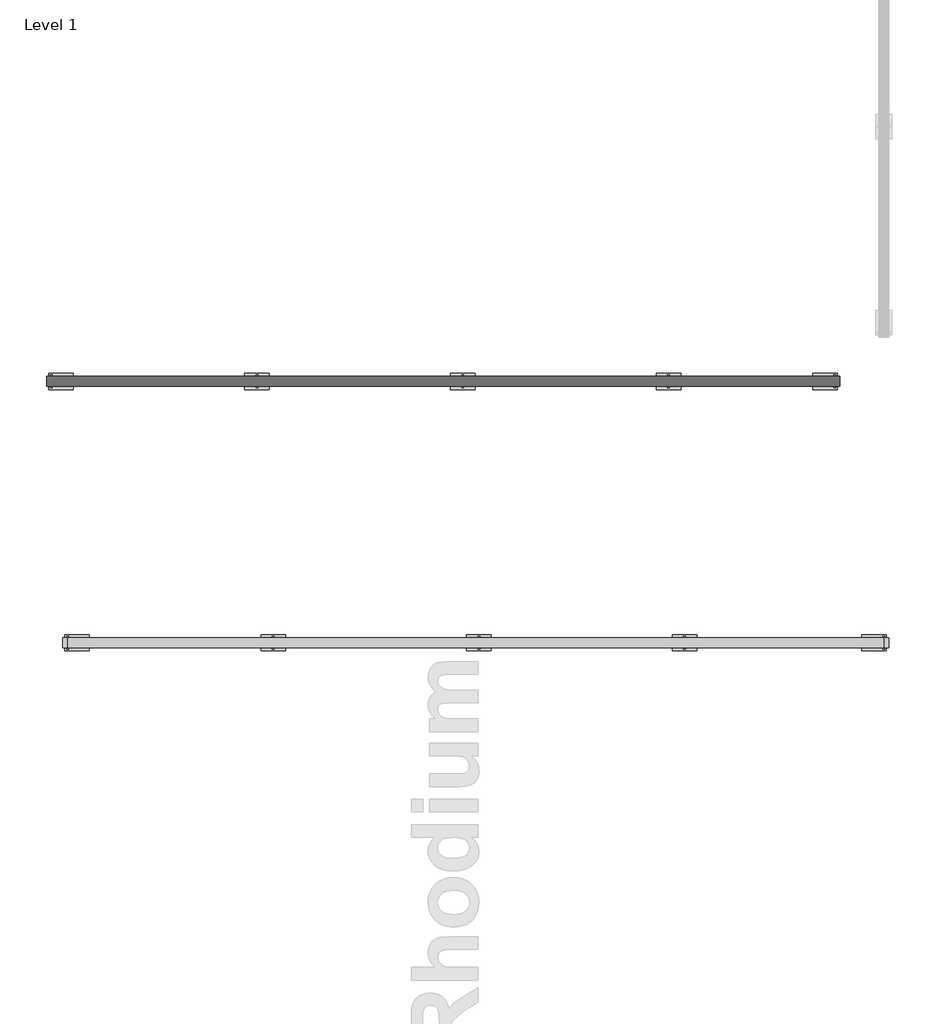
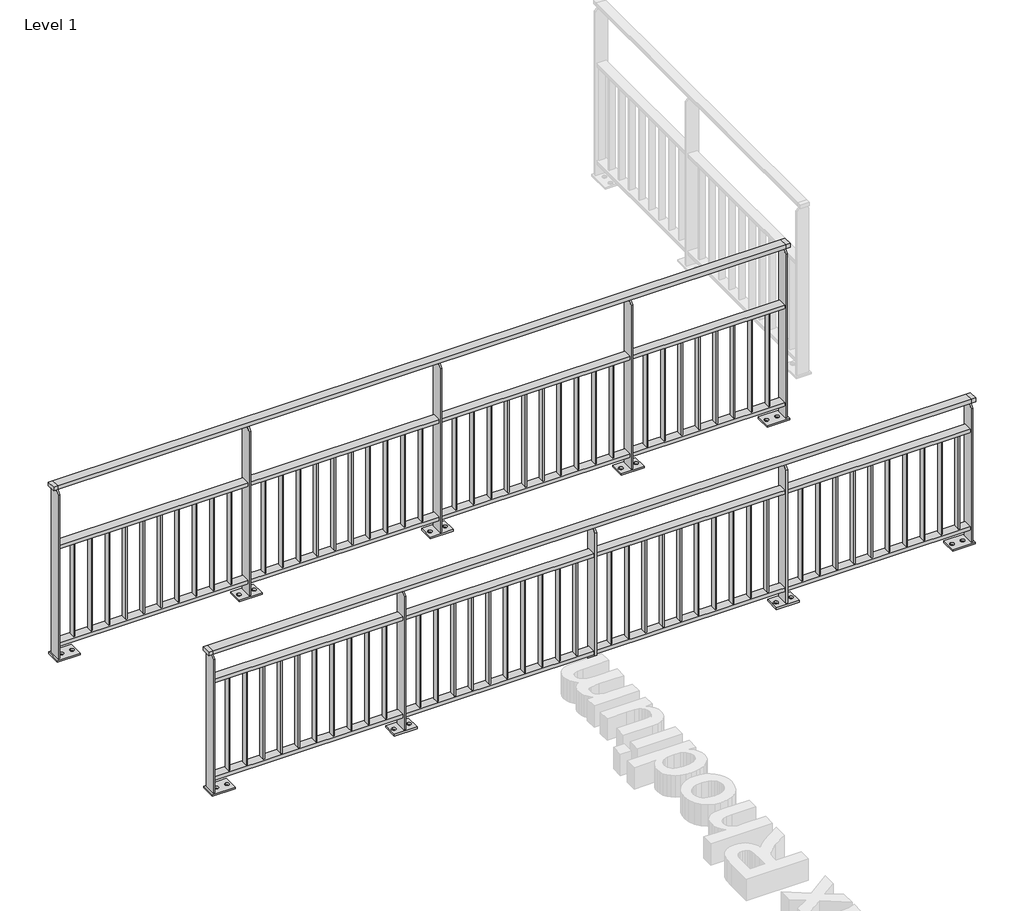
# One storey, part 9 of 20: 2 railings.
"""IFC4 building model written with IfcOpenShell, lengths in millimetres."""

from ifc_helpers import new_model, si_unit, point, frame, frame_2d, origin, origin_with_axes, place, context, project, spatial, polyline, circle_curve, trimmed, segment, composite_curve, outline, extrude, faceted_brep, element, save

model = new_model("IFC4")

# Units and contexts
model_context = context("Model", 3, world=origin())
ifc_project = project(units=[si_unit("LENGTHUNIT", "METRE", prefix="MILLI")], contexts=[model_context])

# Site, building, storey
site = spatial("IfcSite", under=ifc_project)
building = spatial("IfcBuilding", under=site)
storey = spatial("IfcBuildingStorey", under=building, Name="Level 1", Elevation=0.0)

# Railings
placement = place(None, origin())
element("IfcRailing", 1, at=placement, inside=storey, context=model_context, shape_type="SolidModel", body=[
    faceted_brep([(2259.1925079, 1459.3681146, 975.0), (2259.1925079, 1459.3681146, 1000.0), (7260.6479588, 1459.3681146, 1000.0), (7260.6479588, 1459.3681146, 975.0), (2259.1925079, 1399.3681146, 975.0), (7260.6479588, 1399.3681146, 975.0), (2259.1925079, 1399.3681146, 1000.0), (7260.6479588, 1399.3681146, 1000.0), (2229.1925079, 1459.3681146, 1000.0), (2229.1925079, 1459.3681146, 975.0), (2229.1925079, 1399.3681146, 975.0), (2229.1925079, 1399.3681146, 1000.0), (7290.6479588, 1459.3681146, 1000.0), (7290.6479588, 1399.3681146, 1000.0), (7290.6479588, 1399.3681146, 975.0), (7290.6479588, 1459.3681146, 975.0)], [[[0, 1, 2, 3]], [[4, 0, 3, 5]], [[6, 4, 5, 7]], [[1, 6, 7, 2]], [[8, 9, 10, 11]], [[9, 8, 1, 0]], [[10, 9, 0, 4]], [[11, 10, 4, 6]], [[8, 11, 6, 1]], [[12, 13, 14, 15]], [[3, 2, 12, 15]], [[5, 3, 15, 14]], [[7, 5, 14, 13]], [[2, 7, 13, 12]]]),
    extrude(outline(polyline([(2259.1925079, 1399.3681146), (2259.1925079, 1459.3681146), (7260.6479588, 1459.3681146), (7260.6479588, 1399.3681146), (2259.1925079, 1399.3681146)])), frame((0.0, 0.0, 770.0), z_axis=(0.0, 0.0, 1.0), x_axis=(1.0, 0.0, 0.0)), (0.0, 0.0, 1.0), 25.0),
    extrude(outline(polyline([(2259.1925079, 1399.3681146), (2259.1925079, 1459.3681146), (7260.6479588, 1459.3681146), (7260.6479588, 1399.3681146), (2259.1925079, 1399.3681146)])), frame((0.0, 0.0, 90.0), z_axis=(0.0, 0.0, 1.0), x_axis=(1.0, 0.0, 0.0)), (0.0, 0.0, 1.0), 25.0),
    extrude(outline(polyline([(7182.6925079, 1409.3681146), (7182.6925079, 1449.3681146), (7190.6925079, 1449.3681146), (7190.6925079, 1409.3681146), (7182.6925079, 1409.3681146)])), frame((0.0, 0.0, 115.0), z_axis=(0.0, 0.0, 1.0), x_axis=(1.0, 0.0, 0.0)), (0.0, 0.0, 1.0), 655.0),
    extrude(outline(polyline([(7067.6925079, 1409.3681146), (7067.6925079, 1449.3681146), (7075.6925079, 1449.3681146), (7075.6925079, 1409.3681146), (7067.6925079, 1409.3681146)])), frame((0.0, 0.0, 115.0), z_axis=(0.0, 0.0, 1.0), x_axis=(1.0, 0.0, 0.0)), (0.0, 0.0, 1.0), 655.0),
    extrude(outline(polyline([(6952.6925079, 1409.3681146), (6952.6925079, 1449.3681146), (6960.6925079, 1449.3681146), (6960.6925079, 1409.3681146), (6952.6925079, 1409.3681146)])), frame((0.0, 0.0, 115.0), z_axis=(0.0, 0.0, 1.0), x_axis=(1.0, 0.0, 0.0)), (0.0, 0.0, 1.0), 655.0),
    extrude(outline(polyline([(6837.6925079, 1409.3681146), (6837.6925079, 1449.3681146), (6845.6925079, 1449.3681146), (6845.6925079, 1409.3681146), (6837.6925079, 1409.3681146)])), frame((0.0, 0.0, 115.0), z_axis=(0.0, 0.0, 1.0), x_axis=(1.0, 0.0, 0.0)), (0.0, 0.0, 1.0), 655.0),
    extrude(outline(polyline([(6722.6925079, 1409.3681146), (6722.6925079, 1449.3681146), (6730.6925079, 1449.3681146), (6730.6925079, 1409.3681146), (6722.6925079, 1409.3681146)])), frame((0.0, 0.0, 115.0), z_axis=(0.0, 0.0, 1.0), x_axis=(1.0, 0.0, 0.0)), (0.0, 0.0, 1.0), 655.0),
    extrude(outline(polyline([(6607.6925079, 1409.3681146), (6607.6925079, 1449.3681146), (6615.6925079, 1449.3681146), (6615.6925079, 1409.3681146), (6607.6925079, 1409.3681146)])), frame((0.0, 0.0, 115.0), z_axis=(0.0, 0.0, 1.0), x_axis=(1.0, 0.0, 0.0)), (0.0, 0.0, 1.0), 655.0),
    extrude(outline(polyline([(6492.6925079, 1409.3681146), (6492.6925079, 1449.3681146), (6500.6925079, 1449.3681146), (6500.6925079, 1409.3681146), (6492.6925079, 1409.3681146)])), frame((0.0, 0.0, 115.0), z_axis=(0.0, 0.0, 1.0), x_axis=(1.0, 0.0, 0.0)), (0.0, 0.0, 1.0), 655.0),
    extrude(outline(polyline([(6377.6925079, 1409.3681146), (6377.6925079, 1449.3681146), (6385.6925079, 1449.3681146), (6385.6925079, 1409.3681146), (6377.6925079, 1409.3681146)])), frame((0.0, 0.0, 115.0), z_axis=(0.0, 0.0, 1.0), x_axis=(1.0, 0.0, 0.0)), (0.0, 0.0, 1.0), 655.0),
    extrude(outline(polyline([(6262.6925079, 1409.3681146), (6262.6925079, 1449.3681146), (6270.6925079, 1449.3681146), (6270.6925079, 1409.3681146), (6262.6925079, 1409.3681146)])), frame((0.0, 0.0, 115.0), z_axis=(0.0, 0.0, 1.0), x_axis=(1.0, 0.0, 0.0)), (0.0, 0.0, 1.0), 655.0),
    extrude(outline(polyline([(6147.6925079, 1409.3681146), (6147.6925079, 1449.3681146), (6155.6925079, 1449.3681146), (6155.6925079, 1409.3681146), (6147.6925079, 1409.3681146)])), frame((0.0, 0.0, 115.0), z_axis=(0.0, 0.0, 1.0), x_axis=(1.0, 0.0, 0.0)), (0.0, 0.0, 1.0), 655.0),
    extrude(outline(polyline([(1469.3681146, 12.0), (1389.3681146, 12.0), (1389.3681146, 942.5), (1421.8681146, 975.0), (1436.8681146, 975.0), (1469.3681146, 942.5), (1469.3681146, 12.0)])), frame((6033.1925079, 0.0, 0.0), z_axis=(1.0, 0.0, 0.0), x_axis=(0.0, 1.0, 0.0)), (0.0, 0.0, 1.0), 12.0),
    extrude(outline(polyline([(5964.1925079, 1479.3681146), (6114.1925079, 1479.3681146), (6114.1925079, 1379.3681146), (5964.1925079, 1379.3681146), (5964.1925079, 1479.3681146)]), holes=[composite_curve([segment(trimmed(circle_curve(frame_2d((5989.1925079, 1429.3681146)), 13.5), [point((5989.1925079, 1415.8681146))], [point((5989.1925079, 1442.8681146))], True, "CARTESIAN"), True, "CONTINUOUS"), segment(trimmed(circle_curve(frame_2d((5989.1925079, 1429.3681146)), 13.5), [point((5989.1925079, 1442.8681146))], [point((5989.1925079, 1415.8681146))], True, "CARTESIAN"), True, "CONTINUOUS")], self_intersect=False), composite_curve([segment(trimmed(circle_curve(frame_2d((6089.1925079, 1429.3681146)), 13.5), [point((6089.1925079, 1415.8681146))], [point((6089.1925079, 1442.8681146))], True, "CARTESIAN"), True, "CONTINUOUS"), segment(trimmed(circle_curve(frame_2d((6089.1925079, 1429.3681146)), 13.5), [point((6089.1925079, 1442.8681146))], [point((6089.1925079, 1415.8681146))], True, "CARTESIAN"), True, "CONTINUOUS")], self_intersect=False)]), origin_with_axes(), (0.0, 0.0, 1.0), 12.0),
    extrude(outline(polyline([(5922.6925079, 1409.3681146), (5922.6925079, 1449.3681146), (5930.6925079, 1449.3681146), (5930.6925079, 1409.3681146), (5922.6925079, 1409.3681146)])), frame((0.0, 0.0, 115.0), z_axis=(0.0, 0.0, 1.0), x_axis=(1.0, 0.0, 0.0)), (0.0, 0.0, 1.0), 655.0),
    extrude(outline(polyline([(5807.6925079, 1409.3681146), (5807.6925079, 1449.3681146), (5815.6925079, 1449.3681146), (5815.6925079, 1409.3681146), (5807.6925079, 1409.3681146)])), frame((0.0, 0.0, 115.0), z_axis=(0.0, 0.0, 1.0), x_axis=(1.0, 0.0, 0.0)), (0.0, 0.0, 1.0), 655.0),
    extrude(outline(polyline([(5692.6925079, 1409.3681146), (5692.6925079, 1449.3681146), (5700.6925079, 1449.3681146), (5700.6925079, 1409.3681146), (5692.6925079, 1409.3681146)])), frame((0.0, 0.0, 115.0), z_axis=(0.0, 0.0, 1.0), x_axis=(1.0, 0.0, 0.0)), (0.0, 0.0, 1.0), 655.0),
    extrude(outline(polyline([(5577.6925079, 1409.3681146), (5577.6925079, 1449.3681146), (5585.6925079, 1449.3681146), (5585.6925079, 1409.3681146), (5577.6925079, 1409.3681146)])), frame((0.0, 0.0, 115.0), z_axis=(0.0, 0.0, 1.0), x_axis=(1.0, 0.0, 0.0)), (0.0, 0.0, 1.0), 655.0),
    extrude(outline(polyline([(5462.6925079, 1409.3681146), (5462.6925079, 1449.3681146), (5470.6925079, 1449.3681146), (5470.6925079, 1409.3681146), (5462.6925079, 1409.3681146)])), frame((0.0, 0.0, 115.0), z_axis=(0.0, 0.0, 1.0), x_axis=(1.0, 0.0, 0.0)), (0.0, 0.0, 1.0), 655.0),
    extrude(outline(polyline([(5347.6925079, 1409.3681146), (5347.6925079, 1449.3681146), (5355.6925079, 1449.3681146), (5355.6925079, 1409.3681146), (5347.6925079, 1409.3681146)])), frame((0.0, 0.0, 115.0), z_axis=(0.0, 0.0, 1.0), x_axis=(1.0, 0.0, 0.0)), (0.0, 0.0, 1.0), 655.0),
    extrude(outline(polyline([(5232.6925079, 1409.3681146), (5232.6925079, 1449.3681146), (5240.6925079, 1449.3681146), (5240.6925079, 1409.3681146), (5232.6925079, 1409.3681146)])), frame((0.0, 0.0, 115.0), z_axis=(0.0, 0.0, 1.0), x_axis=(1.0, 0.0, 0.0)), (0.0, 0.0, 1.0), 655.0),
    extrude(outline(polyline([(5117.6925079, 1409.3681146), (5117.6925079, 1449.3681146), (5125.6925079, 1449.3681146), (5125.6925079, 1409.3681146), (5117.6925079, 1409.3681146)])), frame((0.0, 0.0, 115.0), z_axis=(0.0, 0.0, 1.0), x_axis=(1.0, 0.0, 0.0)), (0.0, 0.0, 1.0), 655.0),
    extrude(outline(polyline([(5002.6925079, 1409.3681146), (5002.6925079, 1449.3681146), (5010.6925079, 1449.3681146), (5010.6925079, 1409.3681146), (5002.6925079, 1409.3681146)])), frame((0.0, 0.0, 115.0), z_axis=(0.0, 0.0, 1.0), x_axis=(1.0, 0.0, 0.0)), (0.0, 0.0, 1.0), 655.0),
    extrude(outline(polyline([(4887.6925079, 1409.3681146), (4887.6925079, 1449.3681146), (4895.6925079, 1449.3681146), (4895.6925079, 1409.3681146), (4887.6925079, 1409.3681146)])), frame((0.0, 0.0, 115.0), z_axis=(0.0, 0.0, 1.0), x_axis=(1.0, 0.0, 0.0)), (0.0, 0.0, 1.0), 655.0),
    extrude(outline(polyline([(1469.3681146, 12.0), (1389.3681146, 12.0), (1389.3681146, 942.5), (1421.8681146, 975.0), (1436.8681146, 975.0), (1469.3681146, 942.5), (1469.3681146, 12.0)])), frame((4773.1925079, 0.0, 0.0), z_axis=(1.0, 0.0, 0.0), x_axis=(0.0, 1.0, 0.0)), (0.0, 0.0, 1.0), 12.0),
    extrude(outline(polyline([(4704.1925079, 1479.3681146), (4854.1925079, 1479.3681146), (4854.1925079, 1379.3681146), (4704.1925079, 1379.3681146), (4704.1925079, 1479.3681146)]), holes=[composite_curve([segment(trimmed(circle_curve(frame_2d((4729.1925079, 1429.3681146)), 13.5), [point((4729.1925079, 1415.8681146))], [point((4729.1925079, 1442.8681146))], True, "CARTESIAN"), True, "CONTINUOUS"), segment(trimmed(circle_curve(frame_2d((4729.1925079, 1429.3681146)), 13.5), [point((4729.1925079, 1442.8681146))], [point((4729.1925079, 1415.8681146))], True, "CARTESIAN"), True, "CONTINUOUS")], self_intersect=False), composite_curve([segment(trimmed(circle_curve(frame_2d((4829.1925079, 1429.3681146)), 13.5), [point((4829.1925079, 1415.8681146))], [point((4829.1925079, 1442.8681146))], True, "CARTESIAN"), True, "CONTINUOUS"), segment(trimmed(circle_curve(frame_2d((4829.1925079, 1429.3681146)), 13.5), [point((4829.1925079, 1442.8681146))], [point((4829.1925079, 1415.8681146))], True, "CARTESIAN"), True, "CONTINUOUS")], self_intersect=False)]), origin_with_axes(), (0.0, 0.0, 1.0), 12.0),
    extrude(outline(polyline([(4662.6925079, 1409.3681146), (4662.6925079, 1449.3681146), (4670.6925079, 1449.3681146), (4670.6925079, 1409.3681146), (4662.6925079, 1409.3681146)])), frame((0.0, 0.0, 115.0), z_axis=(0.0, 0.0, 1.0), x_axis=(1.0, 0.0, 0.0)), (0.0, 0.0, 1.0), 655.0),
    extrude(outline(polyline([(4547.6925079, 1409.3681146), (4547.6925079, 1449.3681146), (4555.6925079, 1449.3681146), (4555.6925079, 1409.3681146), (4547.6925079, 1409.3681146)])), frame((0.0, 0.0, 115.0), z_axis=(0.0, 0.0, 1.0), x_axis=(1.0, 0.0, 0.0)), (0.0, 0.0, 1.0), 655.0),
    extrude(outline(polyline([(4432.6925079, 1409.3681146), (4432.6925079, 1449.3681146), (4440.6925079, 1449.3681146), (4440.6925079, 1409.3681146), (4432.6925079, 1409.3681146)])), frame((0.0, 0.0, 115.0), z_axis=(0.0, 0.0, 1.0), x_axis=(1.0, 0.0, 0.0)), (0.0, 0.0, 1.0), 655.0),
    extrude(outline(polyline([(4317.6925079, 1409.3681146), (4317.6925079, 1449.3681146), (4325.6925079, 1449.3681146), (4325.6925079, 1409.3681146), (4317.6925079, 1409.3681146)])), frame((0.0, 0.0, 115.0), z_axis=(0.0, 0.0, 1.0), x_axis=(1.0, 0.0, 0.0)), (0.0, 0.0, 1.0), 655.0),
    extrude(outline(polyline([(4202.6925079, 1409.3681146), (4202.6925079, 1449.3681146), (4210.6925079, 1449.3681146), (4210.6925079, 1409.3681146), (4202.6925079, 1409.3681146)])), frame((0.0, 0.0, 115.0), z_axis=(0.0, 0.0, 1.0), x_axis=(1.0, 0.0, 0.0)), (0.0, 0.0, 1.0), 655.0),
    extrude(outline(polyline([(4087.6925079, 1409.3681146), (4087.6925079, 1449.3681146), (4095.6925079, 1449.3681146), (4095.6925079, 1409.3681146), (4087.6925079, 1409.3681146)])), frame((0.0, 0.0, 115.0), z_axis=(0.0, 0.0, 1.0), x_axis=(1.0, 0.0, 0.0)), (0.0, 0.0, 1.0), 655.0),
    extrude(outline(polyline([(3972.6925079, 1409.3681146), (3972.6925079, 1449.3681146), (3980.6925079, 1449.3681146), (3980.6925079, 1409.3681146), (3972.6925079, 1409.3681146)])), frame((0.0, 0.0, 115.0), z_axis=(0.0, 0.0, 1.0), x_axis=(1.0, 0.0, 0.0)), (0.0, 0.0, 1.0), 655.0),
    extrude(outline(polyline([(3857.6925079, 1409.3681146), (3857.6925079, 1449.3681146), (3865.6925079, 1449.3681146), (3865.6925079, 1409.3681146), (3857.6925079, 1409.3681146)])), frame((0.0, 0.0, 115.0), z_axis=(0.0, 0.0, 1.0), x_axis=(1.0, 0.0, 0.0)), (0.0, 0.0, 1.0), 655.0),
    extrude(outline(polyline([(3742.6925079, 1409.3681146), (3742.6925079, 1449.3681146), (3750.6925079, 1449.3681146), (3750.6925079, 1409.3681146), (3742.6925079, 1409.3681146)])), frame((0.0, 0.0, 115.0), z_axis=(0.0, 0.0, 1.0), x_axis=(1.0, 0.0, 0.0)), (0.0, 0.0, 1.0), 655.0),
    extrude(outline(polyline([(3627.6925079, 1409.3681146), (3627.6925079, 1449.3681146), (3635.6925079, 1449.3681146), (3635.6925079, 1409.3681146), (3627.6925079, 1409.3681146)])), frame((0.0, 0.0, 115.0), z_axis=(0.0, 0.0, 1.0), x_axis=(1.0, 0.0, 0.0)), (0.0, 0.0, 1.0), 655.0),
    extrude(outline(polyline([(1469.3681146, 12.0), (1389.3681146, 12.0), (1389.3681146, 942.5), (1421.8681146, 975.0), (1436.8681146, 975.0), (1469.3681146, 942.5), (1469.3681146, 12.0)])), frame((3513.1925079, 0.0, 0.0), z_axis=(1.0, 0.0, 0.0), x_axis=(0.0, 1.0, 0.0)), (0.0, 0.0, 1.0), 12.0),
    extrude(outline(polyline([(3444.1925079, 1479.3681146), (3594.1925079, 1479.3681146), (3594.1925079, 1379.3681146), (3444.1925079, 1379.3681146), (3444.1925079, 1479.3681146)]), holes=[composite_curve([segment(trimmed(circle_curve(frame_2d((3469.1925079, 1429.3681146)), 13.5), [point((3469.1925079, 1415.8681146))], [point((3469.1925079, 1442.8681146))], True, "CARTESIAN"), True, "CONTINUOUS"), segment(trimmed(circle_curve(frame_2d((3469.1925079, 1429.3681146)), 13.5), [point((3469.1925079, 1442.8681146))], [point((3469.1925079, 1415.8681146))], True, "CARTESIAN"), True, "CONTINUOUS")], self_intersect=False), composite_curve([segment(trimmed(circle_curve(frame_2d((3569.1925079, 1429.3681146)), 13.5), [point((3569.1925079, 1415.8681146))], [point((3569.1925079, 1442.8681146))], True, "CARTESIAN"), True, "CONTINUOUS"), segment(trimmed(circle_curve(frame_2d((3569.1925079, 1429.3681146)), 13.5), [point((3569.1925079, 1442.8681146))], [point((3569.1925079, 1415.8681146))], True, "CARTESIAN"), True, "CONTINUOUS")], self_intersect=False)]), origin_with_axes(), (0.0, 0.0, 1.0), 12.0),
    extrude(outline(polyline([(3402.6925079, 1409.3681146), (3402.6925079, 1449.3681146), (3410.6925079, 1449.3681146), (3410.6925079, 1409.3681146), (3402.6925079, 1409.3681146)])), frame((0.0, 0.0, 115.0), z_axis=(0.0, 0.0, 1.0), x_axis=(1.0, 0.0, 0.0)), (0.0, 0.0, 1.0), 655.0),
    extrude(outline(polyline([(3287.6925079, 1409.3681146), (3287.6925079, 1449.3681146), (3295.6925079, 1449.3681146), (3295.6925079, 1409.3681146), (3287.6925079, 1409.3681146)])), frame((0.0, 0.0, 115.0), z_axis=(0.0, 0.0, 1.0), x_axis=(1.0, 0.0, 0.0)), (0.0, 0.0, 1.0), 655.0),
    extrude(outline(polyline([(3172.6925079, 1409.3681146), (3172.6925079, 1449.3681146), (3180.6925079, 1449.3681146), (3180.6925079, 1409.3681146), (3172.6925079, 1409.3681146)])), frame((0.0, 0.0, 115.0), z_axis=(0.0, 0.0, 1.0), x_axis=(1.0, 0.0, 0.0)), (0.0, 0.0, 1.0), 655.0),
    extrude(outline(polyline([(3057.6925079, 1409.3681146), (3057.6925079, 1449.3681146), (3065.6925079, 1449.3681146), (3065.6925079, 1409.3681146), (3057.6925079, 1409.3681146)])), frame((0.0, 0.0, 115.0), z_axis=(0.0, 0.0, 1.0), x_axis=(1.0, 0.0, 0.0)), (0.0, 0.0, 1.0), 655.0),
    extrude(outline(polyline([(2942.6925079, 1409.3681146), (2942.6925079, 1449.3681146), (2950.6925079, 1449.3681146), (2950.6925079, 1409.3681146), (2942.6925079, 1409.3681146)])), frame((0.0, 0.0, 115.0), z_axis=(0.0, 0.0, 1.0), x_axis=(1.0, 0.0, 0.0)), (0.0, 0.0, 1.0), 655.0),
    extrude(outline(polyline([(2827.6925079, 1409.3681146), (2827.6925079, 1449.3681146), (2835.6925079, 1449.3681146), (2835.6925079, 1409.3681146), (2827.6925079, 1409.3681146)])), frame((0.0, 0.0, 115.0), z_axis=(0.0, 0.0, 1.0), x_axis=(1.0, 0.0, 0.0)), (0.0, 0.0, 1.0), 655.0),
    extrude(outline(polyline([(2712.6925079, 1409.3681146), (2712.6925079, 1449.3681146), (2720.6925079, 1449.3681146), (2720.6925079, 1409.3681146), (2712.6925079, 1409.3681146)])), frame((0.0, 0.0, 115.0), z_axis=(0.0, 0.0, 1.0), x_axis=(1.0, 0.0, 0.0)), (0.0, 0.0, 1.0), 655.0),
    extrude(outline(polyline([(2597.6925079, 1409.3681146), (2597.6925079, 1449.3681146), (2605.6925079, 1449.3681146), (2605.6925079, 1409.3681146), (2597.6925079, 1409.3681146)])), frame((0.0, 0.0, 115.0), z_axis=(0.0, 0.0, 1.0), x_axis=(1.0, 0.0, 0.0)), (0.0, 0.0, 1.0), 655.0),
    extrude(outline(polyline([(2482.6925079, 1409.3681146), (2482.6925079, 1449.3681146), (2490.6925079, 1449.3681146), (2490.6925079, 1409.3681146), (2482.6925079, 1409.3681146)])), frame((0.0, 0.0, 115.0), z_axis=(0.0, 0.0, 1.0), x_axis=(1.0, 0.0, 0.0)), (0.0, 0.0, 1.0), 655.0),
    extrude(outline(polyline([(2367.6925079, 1409.3681146), (2367.6925079, 1449.3681146), (2375.6925079, 1449.3681146), (2375.6925079, 1409.3681146), (2367.6925079, 1409.3681146)])), frame((0.0, 0.0, 115.0), z_axis=(0.0, 0.0, 1.0), x_axis=(1.0, 0.0, 0.0)), (0.0, 0.0, 1.0), 655.0),
    extrude(outline(polyline([(1469.3681146, 12.0), (1389.3681146, 12.0), (1389.3681146, 942.5), (1421.8681146, 975.0), (1436.8681146, 975.0), (1469.3681146, 942.5), (1469.3681146, 12.0)])), frame((7254.6479588, 0.0, 0.0), z_axis=(1.0, 0.0, 0.0), x_axis=(0.0, 1.0, 0.0)), (0.0, 0.0, 1.0), 12.0),
    extrude(outline(polyline([(7126.6479588, 1479.3681146), (7276.6479588, 1479.3681146), (7276.6479588, 1379.3681146), (7126.6479588, 1379.3681146), (7126.6479588, 1479.3681146)]), holes=[composite_curve([segment(trimmed(circle_curve(frame_2d((7151.6479588, 1429.3681146)), 13.5), [point((7151.6479588, 1415.8681146))], [point((7151.6479588, 1442.8681146))], True, "CARTESIAN"), True, "CONTINUOUS"), segment(trimmed(circle_curve(frame_2d((7151.6479588, 1429.3681146)), 13.5), [point((7151.6479588, 1442.8681146))], [point((7151.6479588, 1415.8681146))], True, "CARTESIAN"), True, "CONTINUOUS")], self_intersect=False), composite_curve([segment(trimmed(circle_curve(frame_2d((7221.6479588, 1429.3681146)), 13.5), [point((7221.6479588, 1415.8681146))], [point((7221.6479588, 1442.8681146))], True, "CARTESIAN"), True, "CONTINUOUS"), segment(trimmed(circle_curve(frame_2d((7221.6479588, 1429.3681146)), 13.5), [point((7221.6479588, 1442.8681146))], [point((7221.6479588, 1415.8681146))], True, "CARTESIAN"), True, "CONTINUOUS")], self_intersect=False)]), origin_with_axes(), (0.0, 0.0, 1.0), 12.0),
    extrude(outline(polyline([(1469.3681146, 12.0), (1389.3681146, 12.0), (1389.3681146, 942.5), (1421.8681146, 975.0), (1436.8681146, 975.0), (1469.3681146, 942.5), (1469.3681146, 12.0)])), frame((2253.1925079, 0.0, 0.0), z_axis=(1.0, 0.0, 0.0), x_axis=(0.0, 1.0, 0.0)), (0.0, 0.0, 1.0), 12.0),
    extrude(outline(polyline([(2243.1925079, 1479.3681146), (2393.1925079, 1479.3681146), (2393.1925079, 1379.3681146), (2243.1925079, 1379.3681146), (2243.1925079, 1479.3681146)]), holes=[composite_curve([segment(trimmed(circle_curve(frame_2d((2298.1925079, 1429.3681146)), 13.5), [point((2298.1925079, 1415.8681146))], [point((2298.1925079, 1442.8681146))], True, "CARTESIAN"), True, "CONTINUOUS"), segment(trimmed(circle_curve(frame_2d((2298.1925079, 1429.3681146)), 13.5), [point((2298.1925079, 1442.8681146))], [point((2298.1925079, 1415.8681146))], True, "CARTESIAN"), True, "CONTINUOUS")], self_intersect=False), composite_curve([segment(trimmed(circle_curve(frame_2d((2368.1925079, 1429.3681146)), 13.5), [point((2368.1925079, 1415.8681146))], [point((2368.1925079, 1442.8681146))], True, "CARTESIAN"), True, "CONTINUOUS"), segment(trimmed(circle_curve(frame_2d((2368.1925079, 1429.3681146)), 13.5), [point((2368.1925079, 1442.8681146))], [point((2368.1925079, 1415.8681146))], True, "CARTESIAN"), True, "CONTINUOUS")], self_intersect=False)]), origin_with_axes(), (0.0, 0.0, 1.0), 12.0),
])
element("IfcRailing", 2, at=placement, inside=storey, context=model_context, shape_type="SolidModel", body=[
    faceted_brep([(2160.6479588, 3059.3681146, 1187.5), (2160.6479588, 3059.3681146, 1212.5), (6960.6479588, 3059.3681146, 1212.5), (6960.6479588, 3059.3681146, 1187.5), (2160.6479588, 2999.3681146, 1187.5), (6960.6479588, 2999.3681146, 1187.5), (2160.6479588, 2999.3681146, 1212.5), (6960.6479588, 2999.3681146, 1212.5), (2130.6479588, 3059.3681146, 1212.5), (2130.6479588, 3059.3681146, 1187.5), (2130.6479588, 2999.3681146, 1187.5), (2130.6479588, 2999.3681146, 1212.5), (6990.6479588, 3059.3681146, 1212.5), (6990.6479588, 2999.3681146, 1212.5), (6990.6479588, 2999.3681146, 1187.5), (6990.6479588, 3059.3681146, 1187.5)], [[[0, 1, 2, 3]], [[4, 0, 3, 5]], [[6, 4, 5, 7]], [[1, 6, 7, 2]], [[8, 9, 10, 11]], [[9, 8, 1, 0]], [[10, 9, 0, 4]], [[11, 10, 4, 6]], [[8, 11, 6, 1]], [[12, 13, 14, 15]], [[3, 2, 12, 15]], [[5, 3, 15, 14]], [[7, 5, 14, 13]], [[2, 7, 13, 12]]]),
    extrude(outline(polyline([(2160.6479588, 2999.3681146), (2160.6479588, 3059.3681146), (6960.6479588, 3059.3681146), (6960.6479588, 2999.3681146), (2160.6479588, 2999.3681146)])), frame((0.0, 0.0, 770.0), z_axis=(0.0, 0.0, 1.0), x_axis=(1.0, 0.0, 0.0)), (0.0, 0.0, 1.0), 25.0),
    extrude(outline(polyline([(2160.6479588, 2999.3681146), (2160.6479588, 3059.3681146), (6960.6479588, 3059.3681146), (6960.6479588, 2999.3681146), (2160.6479588, 2999.3681146)])), frame((0.0, 0.0, 90.0), z_axis=(0.0, 0.0, 1.0), x_axis=(1.0, 0.0, 0.0)), (0.0, 0.0, 1.0), 25.0),
    extrude(outline(polyline([(6854.1479588, 3009.3681146), (6854.1479588, 3049.3681146), (6862.1479588, 3049.3681146), (6862.1479588, 3009.3681146), (6854.1479588, 3009.3681146)])), frame((0.0, 0.0, 115.0), z_axis=(0.0, 0.0, 1.0), x_axis=(1.0, 0.0, 0.0)), (0.0, 0.0, 1.0), 655.0),
    extrude(outline(polyline([(6739.1479588, 3009.3681146), (6739.1479588, 3049.3681146), (6747.1479588, 3049.3681146), (6747.1479588, 3009.3681146), (6739.1479588, 3009.3681146)])), frame((0.0, 0.0, 115.0), z_axis=(0.0, 0.0, 1.0), x_axis=(1.0, 0.0, 0.0)), (0.0, 0.0, 1.0), 655.0),
    extrude(outline(polyline([(6624.1479588, 3009.3681146), (6624.1479588, 3049.3681146), (6632.1479588, 3049.3681146), (6632.1479588, 3009.3681146), (6624.1479588, 3009.3681146)])), frame((0.0, 0.0, 115.0), z_axis=(0.0, 0.0, 1.0), x_axis=(1.0, 0.0, 0.0)), (0.0, 0.0, 1.0), 655.0),
    extrude(outline(polyline([(6509.1479588, 3009.3681146), (6509.1479588, 3049.3681146), (6517.1479588, 3049.3681146), (6517.1479588, 3009.3681146), (6509.1479588, 3009.3681146)])), frame((0.0, 0.0, 115.0), z_axis=(0.0, 0.0, 1.0), x_axis=(1.0, 0.0, 0.0)), (0.0, 0.0, 1.0), 655.0),
    extrude(outline(polyline([(6394.1479588, 3009.3681146), (6394.1479588, 3049.3681146), (6402.1479588, 3049.3681146), (6402.1479588, 3009.3681146), (6394.1479588, 3009.3681146)])), frame((0.0, 0.0, 115.0), z_axis=(0.0, 0.0, 1.0), x_axis=(1.0, 0.0, 0.0)), (0.0, 0.0, 1.0), 655.0),
    extrude(outline(polyline([(6279.1479588, 3009.3681146), (6279.1479588, 3049.3681146), (6287.1479588, 3049.3681146), (6287.1479588, 3009.3681146), (6279.1479588, 3009.3681146)])), frame((0.0, 0.0, 115.0), z_axis=(0.0, 0.0, 1.0), x_axis=(1.0, 0.0, 0.0)), (0.0, 0.0, 1.0), 655.0),
    extrude(outline(polyline([(6164.1479588, 3009.3681146), (6164.1479588, 3049.3681146), (6172.1479588, 3049.3681146), (6172.1479588, 3009.3681146), (6164.1479588, 3009.3681146)])), frame((0.0, 0.0, 115.0), z_axis=(0.0, 0.0, 1.0), x_axis=(1.0, 0.0, 0.0)), (0.0, 0.0, 1.0), 655.0),
    extrude(outline(polyline([(6049.1479588, 3009.3681146), (6049.1479588, 3049.3681146), (6057.1479588, 3049.3681146), (6057.1479588, 3009.3681146), (6049.1479588, 3009.3681146)])), frame((0.0, 0.0, 115.0), z_axis=(0.0, 0.0, 1.0), x_axis=(1.0, 0.0, 0.0)), (0.0, 0.0, 1.0), 655.0),
    extrude(outline(polyline([(3069.3681146, 12.0), (2989.3681146, 12.0), (2989.3681146, 1155.0), (3021.8681146, 1187.5), (3036.8681146, 1187.5), (3069.3681146, 1155.0), (3069.3681146, 12.0)])), frame((5934.6479588, 0.0, 0.0), z_axis=(1.0, 0.0, 0.0), x_axis=(0.0, 1.0, 0.0)), (0.0, 0.0, 1.0), 12.0),
    extrude(outline(polyline([(5865.6479588, 3079.3681146), (6015.6479588, 3079.3681146), (6015.6479588, 2979.3681146), (5865.6479588, 2979.3681146), (5865.6479588, 3079.3681146)]), holes=[composite_curve([segment(trimmed(circle_curve(frame_2d((5890.6479588, 3029.3681146)), 13.5), [point((5890.6479588, 3015.8681146))], [point((5890.6479588, 3042.8681146))], True, "CARTESIAN"), True, "CONTINUOUS"), segment(trimmed(circle_curve(frame_2d((5890.6479588, 3029.3681146)), 13.5), [point((5890.6479588, 3042.8681146))], [point((5890.6479588, 3015.8681146))], True, "CARTESIAN"), True, "CONTINUOUS")], self_intersect=False), composite_curve([segment(trimmed(circle_curve(frame_2d((5990.6479588, 3029.3681146)), 13.5), [point((5990.6479588, 3015.8681146))], [point((5990.6479588, 3042.8681146))], True, "CARTESIAN"), True, "CONTINUOUS"), segment(trimmed(circle_curve(frame_2d((5990.6479588, 3029.3681146)), 13.5), [point((5990.6479588, 3042.8681146))], [point((5990.6479588, 3015.8681146))], True, "CARTESIAN"), True, "CONTINUOUS")], self_intersect=False)]), origin_with_axes(), (0.0, 0.0, 1.0), 12.0),
    extrude(outline(polyline([(5824.1479588, 3009.3681146), (5824.1479588, 3049.3681146), (5832.1479588, 3049.3681146), (5832.1479588, 3009.3681146), (5824.1479588, 3009.3681146)])), frame((0.0, 0.0, 115.0), z_axis=(0.0, 0.0, 1.0), x_axis=(1.0, 0.0, 0.0)), (0.0, 0.0, 1.0), 655.0),
    extrude(outline(polyline([(5709.1479588, 3009.3681146), (5709.1479588, 3049.3681146), (5717.1479588, 3049.3681146), (5717.1479588, 3009.3681146), (5709.1479588, 3009.3681146)])), frame((0.0, 0.0, 115.0), z_axis=(0.0, 0.0, 1.0), x_axis=(1.0, 0.0, 0.0)), (0.0, 0.0, 1.0), 655.0),
    extrude(outline(polyline([(5594.1479588, 3009.3681146), (5594.1479588, 3049.3681146), (5602.1479588, 3049.3681146), (5602.1479588, 3009.3681146), (5594.1479588, 3009.3681146)])), frame((0.0, 0.0, 115.0), z_axis=(0.0, 0.0, 1.0), x_axis=(1.0, 0.0, 0.0)), (0.0, 0.0, 1.0), 655.0),
    extrude(outline(polyline([(5479.1479588, 3009.3681146), (5479.1479588, 3049.3681146), (5487.1479588, 3049.3681146), (5487.1479588, 3009.3681146), (5479.1479588, 3009.3681146)])), frame((0.0, 0.0, 115.0), z_axis=(0.0, 0.0, 1.0), x_axis=(1.0, 0.0, 0.0)), (0.0, 0.0, 1.0), 655.0),
    extrude(outline(polyline([(5364.1479588, 3009.3681146), (5364.1479588, 3049.3681146), (5372.1479588, 3049.3681146), (5372.1479588, 3009.3681146), (5364.1479588, 3009.3681146)])), frame((0.0, 0.0, 115.0), z_axis=(0.0, 0.0, 1.0), x_axis=(1.0, 0.0, 0.0)), (0.0, 0.0, 1.0), 655.0),
    extrude(outline(polyline([(5249.1479588, 3009.3681146), (5249.1479588, 3049.3681146), (5257.1479588, 3049.3681146), (5257.1479588, 3009.3681146), (5249.1479588, 3009.3681146)])), frame((0.0, 0.0, 115.0), z_axis=(0.0, 0.0, 1.0), x_axis=(1.0, 0.0, 0.0)), (0.0, 0.0, 1.0), 655.0),
    extrude(outline(polyline([(5134.1479588, 3009.3681146), (5134.1479588, 3049.3681146), (5142.1479588, 3049.3681146), (5142.1479588, 3009.3681146), (5134.1479588, 3009.3681146)])), frame((0.0, 0.0, 115.0), z_axis=(0.0, 0.0, 1.0), x_axis=(1.0, 0.0, 0.0)), (0.0, 0.0, 1.0), 655.0),
    extrude(outline(polyline([(5019.1479588, 3009.3681146), (5019.1479588, 3049.3681146), (5027.1479588, 3049.3681146), (5027.1479588, 3009.3681146), (5019.1479588, 3009.3681146)])), frame((0.0, 0.0, 115.0), z_axis=(0.0, 0.0, 1.0), x_axis=(1.0, 0.0, 0.0)), (0.0, 0.0, 1.0), 655.0),
    extrude(outline(polyline([(4904.1479588, 3009.3681146), (4904.1479588, 3049.3681146), (4912.1479588, 3049.3681146), (4912.1479588, 3009.3681146), (4904.1479588, 3009.3681146)])), frame((0.0, 0.0, 115.0), z_axis=(0.0, 0.0, 1.0), x_axis=(1.0, 0.0, 0.0)), (0.0, 0.0, 1.0), 655.0),
    extrude(outline(polyline([(4789.1479588, 3009.3681146), (4789.1479588, 3049.3681146), (4797.1479588, 3049.3681146), (4797.1479588, 3009.3681146), (4789.1479588, 3009.3681146)])), frame((0.0, 0.0, 115.0), z_axis=(0.0, 0.0, 1.0), x_axis=(1.0, 0.0, 0.0)), (0.0, 0.0, 1.0), 655.0),
    extrude(outline(polyline([(3069.3681146, 12.0), (2989.3681146, 12.0), (2989.3681146, 1155.0), (3021.8681146, 1187.5), (3036.8681146, 1187.5), (3069.3681146, 1155.0), (3069.3681146, 12.0)])), frame((4674.6479588, 0.0, 0.0), z_axis=(1.0, 0.0, 0.0), x_axis=(0.0, 1.0, 0.0)), (0.0, 0.0, 1.0), 12.0),
    extrude(outline(polyline([(4605.6479588, 3079.3681146), (4755.6479588, 3079.3681146), (4755.6479588, 2979.3681146), (4605.6479588, 2979.3681146), (4605.6479588, 3079.3681146)]), holes=[composite_curve([segment(trimmed(circle_curve(frame_2d((4630.6479588, 3029.3681146)), 13.5), [point((4630.6479588, 3015.8681146))], [point((4630.6479588, 3042.8681146))], True, "CARTESIAN"), True, "CONTINUOUS"), segment(trimmed(circle_curve(frame_2d((4630.6479588, 3029.3681146)), 13.5), [point((4630.6479588, 3042.8681146))], [point((4630.6479588, 3015.8681146))], True, "CARTESIAN"), True, "CONTINUOUS")], self_intersect=False), composite_curve([segment(trimmed(circle_curve(frame_2d((4730.6479588, 3029.3681146)), 13.5), [point((4730.6479588, 3015.8681146))], [point((4730.6479588, 3042.8681146))], True, "CARTESIAN"), True, "CONTINUOUS"), segment(trimmed(circle_curve(frame_2d((4730.6479588, 3029.3681146)), 13.5), [point((4730.6479588, 3042.8681146))], [point((4730.6479588, 3015.8681146))], True, "CARTESIAN"), True, "CONTINUOUS")], self_intersect=False)]), origin_with_axes(), (0.0, 0.0, 1.0), 12.0),
    extrude(outline(polyline([(4564.1479588, 3009.3681146), (4564.1479588, 3049.3681146), (4572.1479588, 3049.3681146), (4572.1479588, 3009.3681146), (4564.1479588, 3009.3681146)])), frame((0.0, 0.0, 115.0), z_axis=(0.0, 0.0, 1.0), x_axis=(1.0, 0.0, 0.0)), (0.0, 0.0, 1.0), 655.0),
    extrude(outline(polyline([(4449.1479588, 3009.3681146), (4449.1479588, 3049.3681146), (4457.1479588, 3049.3681146), (4457.1479588, 3009.3681146), (4449.1479588, 3009.3681146)])), frame((0.0, 0.0, 115.0), z_axis=(0.0, 0.0, 1.0), x_axis=(1.0, 0.0, 0.0)), (0.0, 0.0, 1.0), 655.0),
    extrude(outline(polyline([(4334.1479588, 3009.3681146), (4334.1479588, 3049.3681146), (4342.1479588, 3049.3681146), (4342.1479588, 3009.3681146), (4334.1479588, 3009.3681146)])), frame((0.0, 0.0, 115.0), z_axis=(0.0, 0.0, 1.0), x_axis=(1.0, 0.0, 0.0)), (0.0, 0.0, 1.0), 655.0),
    extrude(outline(polyline([(4219.1479588, 3009.3681146), (4219.1479588, 3049.3681146), (4227.1479588, 3049.3681146), (4227.1479588, 3009.3681146), (4219.1479588, 3009.3681146)])), frame((0.0, 0.0, 115.0), z_axis=(0.0, 0.0, 1.0), x_axis=(1.0, 0.0, 0.0)), (0.0, 0.0, 1.0), 655.0),
    extrude(outline(polyline([(4104.1479588, 3009.3681146), (4104.1479588, 3049.3681146), (4112.1479588, 3049.3681146), (4112.1479588, 3009.3681146), (4104.1479588, 3009.3681146)])), frame((0.0, 0.0, 115.0), z_axis=(0.0, 0.0, 1.0), x_axis=(1.0, 0.0, 0.0)), (0.0, 0.0, 1.0), 655.0),
    extrude(outline(polyline([(3989.1479588, 3009.3681146), (3989.1479588, 3049.3681146), (3997.1479588, 3049.3681146), (3997.1479588, 3009.3681146), (3989.1479588, 3009.3681146)])), frame((0.0, 0.0, 115.0), z_axis=(0.0, 0.0, 1.0), x_axis=(1.0, 0.0, 0.0)), (0.0, 0.0, 1.0), 655.0),
    extrude(outline(polyline([(3874.1479588, 3009.3681146), (3874.1479588, 3049.3681146), (3882.1479588, 3049.3681146), (3882.1479588, 3009.3681146), (3874.1479588, 3009.3681146)])), frame((0.0, 0.0, 115.0), z_axis=(0.0, 0.0, 1.0), x_axis=(1.0, 0.0, 0.0)), (0.0, 0.0, 1.0), 655.0),
    extrude(outline(polyline([(3759.1479588, 3009.3681146), (3759.1479588, 3049.3681146), (3767.1479588, 3049.3681146), (3767.1479588, 3009.3681146), (3759.1479588, 3009.3681146)])), frame((0.0, 0.0, 115.0), z_axis=(0.0, 0.0, 1.0), x_axis=(1.0, 0.0, 0.0)), (0.0, 0.0, 1.0), 655.0),
    extrude(outline(polyline([(3644.1479588, 3009.3681146), (3644.1479588, 3049.3681146), (3652.1479588, 3049.3681146), (3652.1479588, 3009.3681146), (3644.1479588, 3009.3681146)])), frame((0.0, 0.0, 115.0), z_axis=(0.0, 0.0, 1.0), x_axis=(1.0, 0.0, 0.0)), (0.0, 0.0, 1.0), 655.0),
    extrude(outline(polyline([(3529.1479588, 3009.3681146), (3529.1479588, 3049.3681146), (3537.1479588, 3049.3681146), (3537.1479588, 3009.3681146), (3529.1479588, 3009.3681146)])), frame((0.0, 0.0, 115.0), z_axis=(0.0, 0.0, 1.0), x_axis=(1.0, 0.0, 0.0)), (0.0, 0.0, 1.0), 655.0),
    extrude(outline(polyline([(3069.3681146, 12.0), (2989.3681146, 12.0), (2989.3681146, 1155.0), (3021.8681146, 1187.5), (3036.8681146, 1187.5), (3069.3681146, 1155.0), (3069.3681146, 12.0)])), frame((3414.6479588, 0.0, 0.0), z_axis=(1.0, 0.0, 0.0), x_axis=(0.0, 1.0, 0.0)), (0.0, 0.0, 1.0), 12.0),
    extrude(outline(polyline([(3345.6479588, 3079.3681146), (3495.6479588, 3079.3681146), (3495.6479588, 2979.3681146), (3345.6479588, 2979.3681146), (3345.6479588, 3079.3681146)]), holes=[composite_curve([segment(trimmed(circle_curve(frame_2d((3370.6479588, 3029.3681146)), 13.5), [point((3370.6479588, 3015.8681146))], [point((3370.6479588, 3042.8681146))], True, "CARTESIAN"), True, "CONTINUOUS"), segment(trimmed(circle_curve(frame_2d((3370.6479588, 3029.3681146)), 13.5), [point((3370.6479588, 3042.8681146))], [point((3370.6479588, 3015.8681146))], True, "CARTESIAN"), True, "CONTINUOUS")], self_intersect=False), composite_curve([segment(trimmed(circle_curve(frame_2d((3470.6479588, 3029.3681146)), 13.5), [point((3470.6479588, 3015.8681146))], [point((3470.6479588, 3042.8681146))], True, "CARTESIAN"), True, "CONTINUOUS"), segment(trimmed(circle_curve(frame_2d((3470.6479588, 3029.3681146)), 13.5), [point((3470.6479588, 3042.8681146))], [point((3470.6479588, 3015.8681146))], True, "CARTESIAN"), True, "CONTINUOUS")], self_intersect=False)]), origin_with_axes(), (0.0, 0.0, 1.0), 12.0),
    extrude(outline(polyline([(3304.1479588, 3009.3681146), (3304.1479588, 3049.3681146), (3312.1479588, 3049.3681146), (3312.1479588, 3009.3681146), (3304.1479588, 3009.3681146)])), frame((0.0, 0.0, 115.0), z_axis=(0.0, 0.0, 1.0), x_axis=(1.0, 0.0, 0.0)), (0.0, 0.0, 1.0), 655.0),
    extrude(outline(polyline([(3189.1479588, 3009.3681146), (3189.1479588, 3049.3681146), (3197.1479588, 3049.3681146), (3197.1479588, 3009.3681146), (3189.1479588, 3009.3681146)])), frame((0.0, 0.0, 115.0), z_axis=(0.0, 0.0, 1.0), x_axis=(1.0, 0.0, 0.0)), (0.0, 0.0, 1.0), 655.0),
    extrude(outline(polyline([(3074.1479588, 3009.3681146), (3074.1479588, 3049.3681146), (3082.1479588, 3049.3681146), (3082.1479588, 3009.3681146), (3074.1479588, 3009.3681146)])), frame((0.0, 0.0, 115.0), z_axis=(0.0, 0.0, 1.0), x_axis=(1.0, 0.0, 0.0)), (0.0, 0.0, 1.0), 655.0),
    extrude(outline(polyline([(2959.1479588, 3009.3681146), (2959.1479588, 3049.3681146), (2967.1479588, 3049.3681146), (2967.1479588, 3009.3681146), (2959.1479588, 3009.3681146)])), frame((0.0, 0.0, 115.0), z_axis=(0.0, 0.0, 1.0), x_axis=(1.0, 0.0, 0.0)), (0.0, 0.0, 1.0), 655.0),
    extrude(outline(polyline([(2844.1479588, 3009.3681146), (2844.1479588, 3049.3681146), (2852.1479588, 3049.3681146), (2852.1479588, 3009.3681146), (2844.1479588, 3009.3681146)])), frame((0.0, 0.0, 115.0), z_axis=(0.0, 0.0, 1.0), x_axis=(1.0, 0.0, 0.0)), (0.0, 0.0, 1.0), 655.0),
    extrude(outline(polyline([(2729.1479588, 3009.3681146), (2729.1479588, 3049.3681146), (2737.1479588, 3049.3681146), (2737.1479588, 3009.3681146), (2729.1479588, 3009.3681146)])), frame((0.0, 0.0, 115.0), z_axis=(0.0, 0.0, 1.0), x_axis=(1.0, 0.0, 0.0)), (0.0, 0.0, 1.0), 655.0),
    extrude(outline(polyline([(2614.1479588, 3009.3681146), (2614.1479588, 3049.3681146), (2622.1479588, 3049.3681146), (2622.1479588, 3009.3681146), (2614.1479588, 3009.3681146)])), frame((0.0, 0.0, 115.0), z_axis=(0.0, 0.0, 1.0), x_axis=(1.0, 0.0, 0.0)), (0.0, 0.0, 1.0), 655.0),
    extrude(outline(polyline([(2499.1479588, 3009.3681146), (2499.1479588, 3049.3681146), (2507.1479588, 3049.3681146), (2507.1479588, 3009.3681146), (2499.1479588, 3009.3681146)])), frame((0.0, 0.0, 115.0), z_axis=(0.0, 0.0, 1.0), x_axis=(1.0, 0.0, 0.0)), (0.0, 0.0, 1.0), 655.0),
    extrude(outline(polyline([(2384.1479588, 3009.3681146), (2384.1479588, 3049.3681146), (2392.1479588, 3049.3681146), (2392.1479588, 3009.3681146), (2384.1479588, 3009.3681146)])), frame((0.0, 0.0, 115.0), z_axis=(0.0, 0.0, 1.0), x_axis=(1.0, 0.0, 0.0)), (0.0, 0.0, 1.0), 655.0),
    extrude(outline(polyline([(2269.1479588, 3009.3681146), (2269.1479588, 3049.3681146), (2277.1479588, 3049.3681146), (2277.1479588, 3009.3681146), (2269.1479588, 3009.3681146)])), frame((0.0, 0.0, 115.0), z_axis=(0.0, 0.0, 1.0), x_axis=(1.0, 0.0, 0.0)), (0.0, 0.0, 1.0), 655.0),
    extrude(outline(polyline([(3069.3681146, 12.0), (2989.3681146, 12.0), (2989.3681146, 1155.0), (3021.8681146, 1187.5), (3036.8681146, 1187.5), (3069.3681146, 1155.0), (3069.3681146, 12.0)])), frame((6954.6479588, 0.0, 0.0), z_axis=(1.0, 0.0, 0.0), x_axis=(0.0, 1.0, 0.0)), (0.0, 0.0, 1.0), 12.0),
    extrude(outline(polyline([(6826.6479588, 3079.3681146), (6976.6479588, 3079.3681146), (6976.6479588, 2979.3681146), (6826.6479588, 2979.3681146), (6826.6479588, 3079.3681146)]), holes=[composite_curve([segment(trimmed(circle_curve(frame_2d((6851.6479588, 3029.3681146)), 13.5), [point((6851.6479588, 3015.8681146))], [point((6851.6479588, 3042.8681146))], True, "CARTESIAN"), True, "CONTINUOUS"), segment(trimmed(circle_curve(frame_2d((6851.6479588, 3029.3681146)), 13.5), [point((6851.6479588, 3042.8681146))], [point((6851.6479588, 3015.8681146))], True, "CARTESIAN"), True, "CONTINUOUS")], self_intersect=False), composite_curve([segment(trimmed(circle_curve(frame_2d((6921.6479588, 3029.3681146)), 13.5), [point((6921.6479588, 3015.8681146))], [point((6921.6479588, 3042.8681146))], True, "CARTESIAN"), True, "CONTINUOUS"), segment(trimmed(circle_curve(frame_2d((6921.6479588, 3029.3681146)), 13.5), [point((6921.6479588, 3042.8681146))], [point((6921.6479588, 3015.8681146))], True, "CARTESIAN"), True, "CONTINUOUS")], self_intersect=False)]), origin_with_axes(), (0.0, 0.0, 1.0), 12.0),
    extrude(outline(polyline([(3069.3681146, 12.0), (2989.3681146, 12.0), (2989.3681146, 1155.0), (3021.8681146, 1187.5), (3036.8681146, 1187.5), (3069.3681146, 1155.0), (3069.3681146, 12.0)])), frame((2154.6479588, 0.0, 0.0), z_axis=(1.0, 0.0, 0.0), x_axis=(0.0, 1.0, 0.0)), (0.0, 0.0, 1.0), 12.0),
    extrude(outline(polyline([(2144.6479588, 3079.3681146), (2294.6479588, 3079.3681146), (2294.6479588, 2979.3681146), (2144.6479588, 2979.3681146), (2144.6479588, 3079.3681146)]), holes=[composite_curve([segment(trimmed(circle_curve(frame_2d((2199.6479588, 3029.3681146)), 13.5), [point((2199.6479588, 3015.8681146))], [point((2199.6479588, 3042.8681146))], True, "CARTESIAN"), True, "CONTINUOUS"), segment(trimmed(circle_curve(frame_2d((2199.6479588, 3029.3681146)), 13.5), [point((2199.6479588, 3042.8681146))], [point((2199.6479588, 3015.8681146))], True, "CARTESIAN"), True, "CONTINUOUS")], self_intersect=False), composite_curve([segment(trimmed(circle_curve(frame_2d((2269.6479588, 3029.3681146)), 13.5), [point((2269.6479588, 3015.8681146))], [point((2269.6479588, 3042.8681146))], True, "CARTESIAN"), True, "CONTINUOUS"), segment(trimmed(circle_curve(frame_2d((2269.6479588, 3029.3681146)), 13.5), [point((2269.6479588, 3042.8681146))], [point((2269.6479588, 3015.8681146))], True, "CARTESIAN"), True, "CONTINUOUS")], self_intersect=False)]), origin_with_axes(), (0.0, 0.0, 1.0), 12.0),
])

save(model, "model.ifc")
